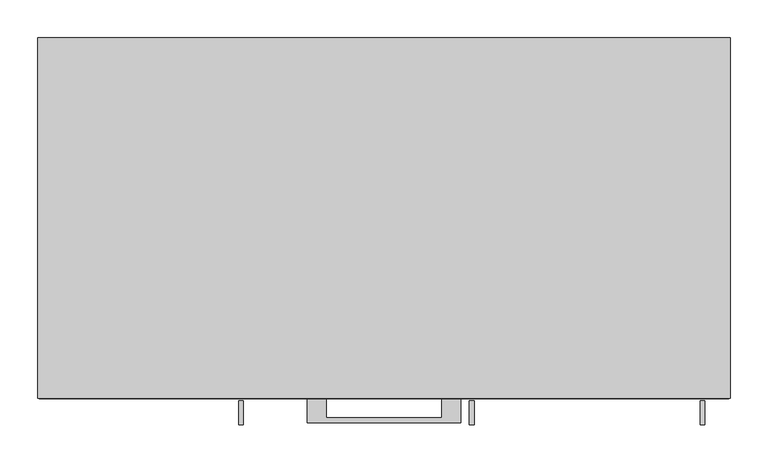
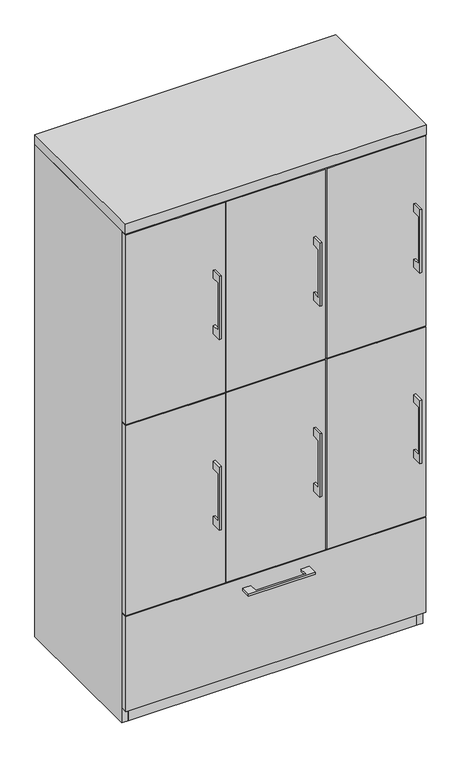
"""IFC4 building model written with IfcOpenShell, lengths in millimetres: furniture geometry."""

from ifc_helpers import new_model, si_unit, frame, origin, origin_with_axes, place, context, project, spatial, polyline, outline, extrude, source, transform, mapped, element, save


def furniture_3064cb46(model_context):
    return source(origin(), model_context, "Body", "SweptSolid", [
        extrude(outline(polyline([(-479.425, 736.6), (-504.8249758, 736.6), (-504.8249758, 584.2), (-479.425, 584.2), (-479.425, 558.8), (-511.1749879, 558.8), (-511.1749879, 762.0), (-479.425, 762.0), (-479.425, 736.6)])), frame((112.7125121, 0.0, 0.0), z_axis=(1.0, 0.0, 0.0), x_axis=(0.0, 1.0, 0.0)), (0.0, 0.0, 1.0), 6.3499758),
        extrude(outline(polyline([(150.8125, -476.25), (-150.8125, -476.25), (-150.8125, -457.2), (150.8125, -457.2), (150.8125, -476.25)])), frame((0.0, 0.0, 355.6), z_axis=(0.0, 0.0, 1.0), x_axis=(1.0, 0.0, 0.0)), (0.0, 0.0, 1.0), 609.6),
        extrude(outline(polyline([(-479.425, 1349.375), (-504.8249758, 1349.375), (-504.8249758, 1196.975), (-479.425, 1196.975), (-479.425, 1171.575), (-511.1749879, 1171.575), (-511.1749879, 1374.775), (-479.425, 1374.775), (-479.425, 1349.375)])), frame((112.7125121, 0.0, 0.0), z_axis=(1.0, 0.0, 0.0), x_axis=(0.0, 1.0, 0.0)), (0.0, 0.0, 1.0), 6.3499758),
        extrude(outline(polyline([(150.8125, -476.25), (-150.8125, -476.25), (-150.8125, -457.2), (150.8125, -457.2), (150.8125, -476.25)])), frame((0.0, 0.0, 968.375), z_axis=(0.0, 0.0, 1.0), x_axis=(1.0, 0.0, 0.0)), (0.0, 0.0, 1.0), 609.6),
        extrude(outline(polyline([(-76.1999818, -476.25), (-76.1999818, -501.6499758), (76.2, -501.6499758), (76.2, -476.25), (101.5999939, -476.25), (101.5999939, -507.9999879), (-101.5999939, -507.9999879), (-101.5999939, -476.25), (-76.1999818, -476.25)])), frame((0.0, 0.0, 312.7375506), z_axis=(0.0, 0.0, 1.0), x_axis=(1.0, 0.0, 0.0)), (0.0, 0.0, 1.0), 6.3499758),
        extrude(outline(polyline([(455.6125, -457.2), (455.6125, -476.25), (-455.6125, -476.25), (-455.6125, -457.2), (455.6125, -457.2)])), frame((0.0, 0.0, 47.625), z_axis=(0.0, 0.0, 1.0), x_axis=(1.0, 0.0, 0.0)), (0.0, 0.0, 1.0), 304.8),
        extrude(outline(polyline([(-479.425, 1349.375), (-504.8249758, 1349.375), (-504.8249758, 1196.975), (-479.425, 1196.975), (-479.425, 1171.575), (-511.1749879, 1171.575), (-511.1749879, 1374.775), (-479.425, 1374.775), (-479.425, 1349.375)])), frame((417.5125121, 0.0, 0.0), z_axis=(1.0, 0.0, 0.0), x_axis=(0.0, 1.0, 0.0)), (0.0, 0.0, 1.0), 6.3499758),
        extrude(outline(polyline([(455.6125, -476.25), (153.9875, -476.25), (153.9875, -457.2), (455.6125, -457.2), (455.6125, -476.25)])), frame((0.0, 0.0, 968.375), z_axis=(0.0, 0.0, 1.0), x_axis=(1.0, 0.0, 0.0)), (0.0, 0.0, 1.0), 609.6),
        extrude(outline(polyline([(-479.425, 1349.375), (-504.8249758, 1349.375), (-504.8249758, 1196.975), (-479.425, 1196.975), (-479.425, 1171.575), (-511.1749879, 1171.575), (-511.1749879, 1374.775), (-479.425, 1374.775), (-479.425, 1349.375)])), frame((-192.0874879, 0.0, 0.0), z_axis=(1.0, 0.0, 0.0), x_axis=(0.0, 1.0, 0.0)), (0.0, 0.0, 1.0), 6.3499758),
        extrude(outline(polyline([(-153.9875, -476.25), (-455.6125, -476.25), (-455.6125, -457.2), (-153.9875, -457.2), (-153.9875, -476.25)])), frame((0.0, 0.0, 968.375), z_axis=(0.0, 0.0, 1.0), x_axis=(1.0, 0.0, 0.0)), (0.0, 0.0, 1.0), 609.6),
        extrude(outline(polyline([(-479.425, 736.6), (-504.8249758, 736.6), (-504.8249758, 584.2), (-479.425, 584.2), (-479.425, 558.8), (-511.1749879, 558.8), (-511.1749879, 762.0), (-479.425, 762.0), (-479.425, 736.6)])), frame((417.5125121, 0.0, 0.0), z_axis=(1.0, 0.0, 0.0), x_axis=(0.0, 1.0, 0.0)), (0.0, 0.0, 1.0), 6.3499758),
        extrude(outline(polyline([(455.6125, -476.25), (153.9875, -476.25), (153.9875, -457.2), (455.6125, -457.2), (455.6125, -476.25)])), frame((0.0, 0.0, 355.6), z_axis=(0.0, 0.0, 1.0), x_axis=(1.0, 0.0, 0.0)), (0.0, 0.0, 1.0), 609.6),
        extrude(outline(polyline([(-479.425, 736.6), (-504.8249758, 736.6), (-504.8249758, 584.2), (-479.425, 584.2), (-479.425, 558.8), (-511.1749879, 558.8), (-511.1749879, 762.0), (-479.425, 762.0), (-479.425, 736.6)])), frame((-192.0874879, 0.0, 0.0), z_axis=(1.0, 0.0, 0.0), x_axis=(0.0, 1.0, 0.0)), (0.0, 0.0, 1.0), 6.3499758),
        extrude(outline(polyline([(-153.9875, -476.25), (-455.6125, -476.25), (-455.6125, -457.2), (-153.9875, -457.2), (-153.9875, -476.25)])), frame((0.0, 0.0, 355.6), z_axis=(0.0, 0.0, 1.0), x_axis=(1.0, 0.0, 0.0)), (0.0, 0.0, 1.0), 609.6),
        extrude(outline(polyline([(438.15, -19.05), (438.15, -457.2), (-438.15, -457.2), (-438.15, -19.05), (438.15, -19.05)])), frame((0.0, 0.0, 352.425), z_axis=(0.0, 0.0, 1.0), x_axis=(1.0, 0.0, 0.0)), (0.0, 0.0, 1.0), 19.05),
        extrude(outline(polyline([(-142.875, -19.05), (-142.875, -457.2), (-161.925, -457.2), (-161.925, -19.05), (-142.875, -19.05)])), frame((0.0, 0.0, 371.475), z_axis=(0.0, 0.0, 1.0), x_axis=(1.0, 0.0, 0.0)), (0.0, 0.0, 1.0), 1209.675),
        extrude(outline(polyline([(161.925, -19.05), (161.925, -457.2), (142.875, -457.2), (142.875, -19.05), (161.925, -19.05)])), frame((0.0, 0.0, 371.475), z_axis=(0.0, 0.0, 1.0), x_axis=(1.0, 0.0, 0.0)), (0.0, 0.0, 1.0), 1209.675),
        extrude(outline(polyline([(438.15, -19.05), (438.15, -457.2), (-438.15, -457.2), (-438.15, -19.05), (438.15, -19.05)])), origin_with_axes(), (0.0, 0.0, 1.0), 47.625),
        extrude(outline(polyline([(457.2, 0.0), (457.2, -476.25), (-457.2, -476.25), (-457.2, 0.0), (457.2, 0.0)])), frame((0.0, 0.0, 1581.15), z_axis=(0.0, 0.0, 1.0), x_axis=(1.0, 0.0, 0.0)), (0.0, 0.0, 1.0), 31.75),
        extrude(outline(polyline([(457.2, 0.0), (457.2, -457.2), (438.15, -457.2), (438.15, -19.05), (-438.15, -19.05), (-438.15, -457.2), (-457.2, -457.2), (-457.2, 0.0), (457.2, 0.0)])), origin_with_axes(), (0.0, 0.0, 1.0), 1581.15),
    ])


if __name__ == "__main__":
    model = new_model("IFC4")
    model_context = context("Model", 3, world=origin())
    ifc_project = project(units=[si_unit("LENGTHUNIT", "METRE", prefix="MILLI")], contexts=[model_context])
    site = spatial("IfcSite", under=ifc_project)
    building = spatial("IfcBuilding", under=site)
    placement = place(None, origin())
    furniture_shape = furniture_3064cb46(model_context)
    element("IfcFurniture", 1, at=placement, inside=building, context=model_context, shape_type="MappedRepresentation", body=[
        mapped(furniture_shape, transform((0.0, 0.0, 0.0), x_axis=(1.0, 0.0, 0.0), y_axis=(0.0, 1.0, 0.0), z_axis=(0.0, 0.0, 1.0))),
    ])
    save(model, "model.ifc")
